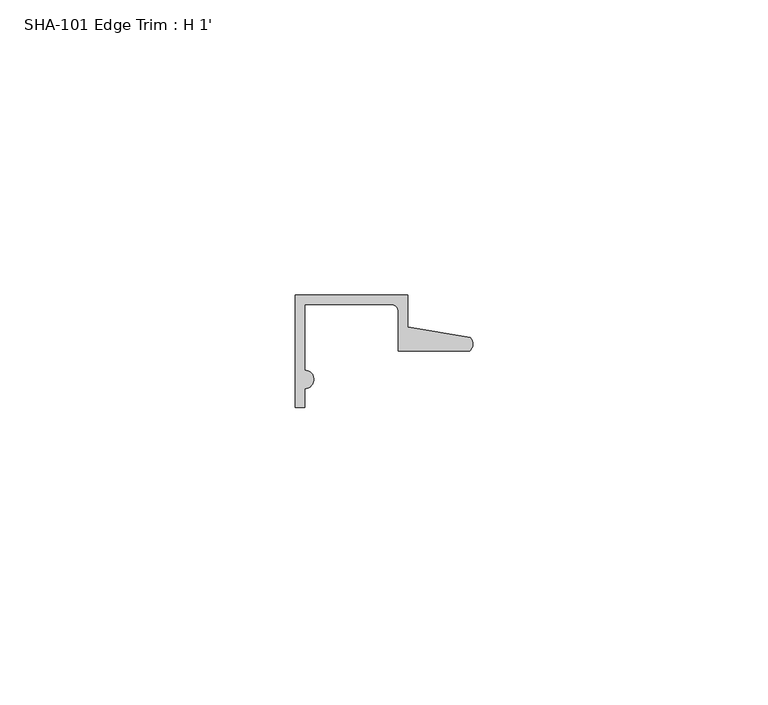
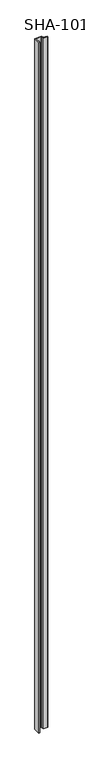
"""IFC4 building model written with IfcOpenShell, lengths in millimetres: proxy geometry, SHA-101 Edge Trim : H 1'."""

from ifc_helpers import new_model, si_unit, point, frame_2d, origin, origin_with_axes, place, context, project, spatial, polyline, circle_curve, trimmed, segment, composite_curve, outline, extrude, source, transform, mapped, element, save


def sha_101_edge_trim_h_1_f9f8c0e0(model_context):
    return source(origin(), model_context, "Body", "SweptSolid", [
        extrude(outline(composite_curve([segment(trimmed(circle_curve(frame_2d((1.5748, -14.2875)), 1.5748), [point((1.5748, -12.7127))], [point((1.5748, -15.8623))], False, "CARTESIAN"), True, "CONTINUOUS"), segment(polyline([(1.5748, -15.8623), (1.5748, -19.05), (0.0, -19.05), (0.0, 0.0), (19.0246, 0.0), (19.0246, -5.392657), (29.6006869, -7.2036308)]), True, "CONTINUOUS"), segment(trimmed(circle_curve(frame_2d((28.4438454, -8.3323235)), 1.6162393), [point((29.6006869, -7.2036308))], [point((29.5346031, -9.525))], False, "CARTESIAN"), True, "CONTINUOUS"), segment(polyline([(29.5346031, -9.525), (17.4498, -9.525), (17.4498, -2.8448)]), True, "CONTINUOUS"), segment(trimmed(circle_curve(frame_2d((16.1798, -2.8448)), 1.27), [point((17.4498, -2.8448))], [point((16.1798, -1.5748))], True, "CARTESIAN"), True, "CONTINUOUS"), segment(polyline([(16.1798, -1.5748), (1.5748, -1.5748), (1.5748, -12.7127)]), True, "CONTINUOUS")], self_intersect=False)), origin_with_axes(), (0.0, 0.0, 1.0), 1987.55),
    ])


if __name__ == "__main__":
    model = new_model("IFC4")
    model_context = context("Model", 3, world=origin())
    ifc_project = project(units=[si_unit("LENGTHUNIT", "METRE", prefix="MILLI")], contexts=[model_context])
    site = spatial("IfcSite", under=ifc_project)
    building = spatial("IfcBuilding", under=site)
    placement = place(None, origin())
    sha_101_edge_trim_h_1_shape = sha_101_edge_trim_h_1_f9f8c0e0(model_context)
    element("IfcBuildingElementProxy", 1, Name="SHA-101 Edge Trim : H 1'", ObjectType="SHA-101 Edge Trim : H 1'", at=placement, inside=building, context=model_context, shape_type="MappedRepresentation", body=[
        mapped(sha_101_edge_trim_h_1_shape, transform((0.0, 0.0, 0.0), x_axis=(1.0, 0.0, 0.0), y_axis=(0.0, 1.0, 0.0), z_axis=(0.0, 0.0, 1.0))),
    ])
    save(model, "model.ifc")
